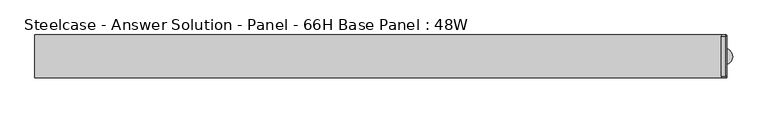
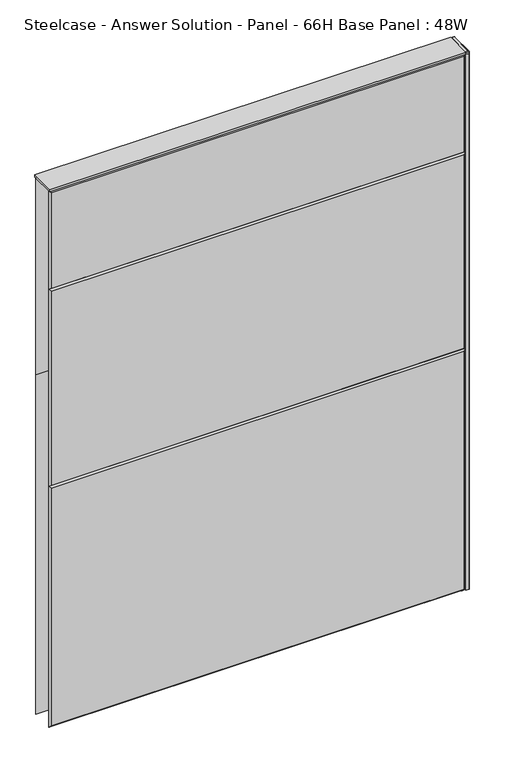
"""IFC4 building model written with IfcOpenShell, lengths in millimetres: furniture geometry, Steelcase - Answer Solution - Panel - 66H Base Panel : 48W."""

from ifc_helpers import new_model, si_unit, point, frame, frame_2d, origin, place, context, project, spatial, polyline, circle_curve, trimmed, segment, composite_curve, outline, extrude, faceted_brep, source, transform, mapped, element, save
from ifc_brep_helpers import plane_surface, spline_surface, advanced_brep


def steelcase_answer_solution_panel_66h_base_panel_48w_da607cd5(model_context):
    return source(origin(), model_context, "Body", "SolidModel", [
        extrude(outline(composite_curve([segment(trimmed(circle_curve(frame_2d((614.68, 0.0320214)), 5.08), [point((619.76, 0.0320214))], [point((609.6, 0.0320214))], False, "CARTESIAN"), True, "CONTINUOUS"), segment(trimmed(circle_curve(frame_2d((614.68, 0.0320214)), 5.08), [point((609.6, 0.0320214))], [point((619.76, 0.0320214))], False, "CARTESIAN"), True, "CONTINUOUS")], self_intersect=False)), frame((0.0, 0.0, 5.0799671), z_axis=(0.0, 0.0, 1.0), x_axis=(1.0, 0.0, 0.0)), (0.0, 0.0, 1.0), 10.414),
        extrude(outline(composite_curve([segment(trimmed(circle_curve(frame_2d((614.68, 0.0320214)), 15.24), [point((629.92, 0.0320214))], [point((599.44, 0.0320214))], False, "CARTESIAN"), True, "CONTINUOUS"), segment(trimmed(circle_curve(frame_2d((614.68, 0.0320214)), 15.24), [point((599.44, 0.0320214))], [point((629.92, 0.0320214))], False, "CARTESIAN"), True, "CONTINUOUS")], self_intersect=False)), frame((0.0, 0.0, -3.29e-05), z_axis=(0.0, 0.0, 1.0), x_axis=(1.0, 0.0, 0.0)), (0.0, 0.0, 1.0), 5.08),
        advanced_brep(
        [(616.9406, -35.2485592, 1682.7499671), (616.9406, 35.3126408, 1682.7499671), (609.6, 35.3126408, 1682.7499671), (609.6, -35.2485592, 1682.7499671), (617.8151197, -38.0679592, 1680.8704), (619.76, -36.1230789, 1680.8704), (619.76, 36.2403105, 1680.8704), (617.8682696, 38.1320408, 1680.8704), (609.6, 38.1320408, 1680.8704), (609.6, -38.0679592, 1680.8704)],
        [
            (0, 1),
            (1, 2),
            (2, 3),
            (3, 0),
            (4, 5, circle_curve(frame((617.8151197, -36.1230789, 1680.8704), z_axis=(0.0, 0.0, 1.0), x_axis=(0.0, 1.0, 0.0)), 1.9448803)),
            (5, 0),
            (0, 4),
            (5, 6),
            (6, 1),
            (6, 7, circle_curve(frame((617.8682696, 36.2403105, 1680.8704), z_axis=(0.0, 0.0, 1.0), x_axis=(0.0, 1.0, 0.0)), 1.8917304)),
            (7, 1),
            (7, 8),
            (8, 2),
            (8, 9),
            (9, 3),
            (9, 4),
        ],
        [
            plane_surface(frame((613.2703, 0.0320408, 1682.7499671), z_axis=(0.0, 0.0, 1.0), x_axis=(0.0, 1.0, 0.0))),
            spline_surface(2, 1, [[(617.8151197, -38.0679592, 1680.8704), (616.9406, -35.2485592, 1682.7499671)], [(619.76, -38.06795919999997, 1680.8704), (616.9406, -35.2485592, 1682.7499671)], [(619.76, -36.1230789, 1680.8704), (616.9406, -35.2485592, 1682.7499671)]], [3, 3], [2, 2], [0.0, 1.0], [0.0, 1.0], weights=[[1.0, 1.0], [0.7071067811865527, 0.7071067811865527], [1.0, 1.0]]),
            plane_surface(frame((619.76, 0.0586158, 1680.8704), z_axis=(0.554693465401931, 0.0, 0.832054781514052), x_axis=(0.0, 1.0, 0.0))),
            spline_surface(2, 1, [[(619.76, 36.2403105, 1680.8704), (616.9406, 35.3126408, 1682.7499671)], [(619.7600001000001, 38.13204090000003, 1680.8704), (616.9406, 35.3126408, 1682.7499671)], [(617.8682696, 38.1320408, 1680.8704), (616.9406, 35.3126408, 1682.7499671)]], [3, 3], [2, 2], [0.0, 1.0], [0.0, 1.0], weights=[[1.0, 1.0], [0.7071067624971249, 0.7071067624971249], [1.0, 1.0]]),
            plane_surface(frame((613.7341348, 38.1320408, 1680.8704), z_axis=(0.0, 0.5546934654026133, 0.8320547815135972), x_axis=(-1.0, 0.0, 0.0))),
            plane_surface(frame((609.6, 0.0320408, 1680.8704), z_axis=(-1.0, 0.0, 0.0), x_axis=(0.0, -1.0, 0.0))),
            plane_surface(frame((613.7075599, -38.0679592, 1680.8704), z_axis=(0.0, -0.5546934654017167, 0.8320547815141949), x_axis=(1.0, 0.0, 0.0))),
            plane_surface(frame((615.7338982, 0.0408991, 1680.8704), z_axis=(0.0, 0.0, -1.0), x_axis=(0.0, 1.0, 0.0))),
        ],
        [
            (0, [[1, 2, 3, 4]]),
            (1, [[5, 6, 7]]),
            (2, [[8, 9, -1, -6]]),
            (3, [[10, 11, -9]]),
            (4, [[12, 13, -2, -11]]),
            (5, [[14, 15, -3, -13]]),
            (6, [[16, -7, -4, -15]]),
            (7, [[-16, -14, -12, -10, -8, -5]]),
        ],
    ),
        extrude(outline(composite_curve([segment(polyline([(619.76, 36.2403105), (619.76, -36.1230789)]), True, "CONTINUOUS"), segment(trimmed(circle_curve(frame_2d((617.8151197, -36.1230789)), 1.9448803), [point((619.76, -36.1230789))], [point((617.8151197, -38.0679592))], False, "CARTESIAN"), True, "CONTINUOUS"), segment(polyline([(617.8151197, -38.0679592), (609.6, -38.0679592), (609.6, 38.1320408), (617.8682696, 38.1320408)]), True, "CONTINUOUS"), segment(trimmed(circle_curve(frame_2d((617.8682696, 36.2403105)), 1.8917304), [point((617.8682696, 38.1320408))], [point((619.76, 36.2403105))], False, "CARTESIAN"), True, "CONTINUOUS")], self_intersect=False)), frame((0.0, 0.0, 1675.4348), z_axis=(0.0, 0.0, 1.0), x_axis=(1.0, 0.0, 0.0)), (0.0, 0.0, 1.0), 5.4356),
        extrude(outline(composite_curve([segment(polyline([(619.76, 36.2599466), (619.76, -36.1273143)]), True, "CONTINUOUS"), segment(trimmed(circle_curve(frame_2d((617.8193552, -36.1273143)), 1.9406448), [point((619.76, -36.1273143))], [point((617.8193552, -38.0679592))], False, "CARTESIAN"), True, "CONTINUOUS"), segment(polyline([(617.8193552, -38.0679592), (609.6, -38.0679592), (609.6, 38.1320408), (617.8879058, 38.1320408)]), True, "CONTINUOUS"), segment(trimmed(circle_curve(frame_2d((617.8879058, 36.2599466)), 1.8720942), [point((617.8879058, 38.1320408))], [point((619.76, 36.2599466))], False, "CARTESIAN"), True, "CONTINUOUS")], self_intersect=False)), frame((0.0, 0.0, 15.4939671), z_axis=(0.0, 0.0, 1.0), x_axis=(1.0, 0.0, 0.0)), (0.0, 0.0, 1.0), 1659.9408329),
        faceted_brep([(-604.774, 38.1635011, 1671.574), (604.774, 38.1635011, 1671.574), (604.774, 38.1635011, 1071.626), (-604.774, 38.1635011, 1071.626), (-609.6, 33.3375011, 1676.4), (-609.6, 33.3375011, 1066.8), (609.6, 33.3375011, 1066.8), (609.6, 33.3375011, 1676.4)], [[[0, 1, 2, 3]], [[4, 5, 6, 7]], [[4, 7, 1, 0]], [[7, 6, 2, 1]], [[6, 5, 3, 2]], [[5, 4, 0, 3]]]),
        faceted_brep([(-604.774, 38.1635011, 1061.974), (604.774, 38.1635011, 1061.974), (604.774, 38.1635011, 20.32), (-604.774, 38.1635011, 20.32), (-609.6, 33.3375011, 1066.8), (-609.6, 33.3375011, 15.494), (609.6, 33.3375011, 15.494), (609.6, 33.3375011, 1066.8)], [[[0, 1, 2, 3]], [[4, 5, 6, 7]], [[4, 7, 1, 0]], [[7, 6, 2, 1]], [[6, 5, 3, 2]], [[5, 4, 0, 3]]]),
        faceted_brep([(604.774, -38.1635011, 1671.574), (-604.774, -38.1635011, 1671.574), (-604.774, -38.1635011, 1376.426), (604.774, -38.1635011, 1376.426), (609.6, -33.3375011, 1676.4), (609.6, -33.3375011, 1371.6), (-609.6, -33.3375011, 1371.6), (-609.6, -33.3375011, 1676.4)], [[[0, 1, 2, 3]], [[4, 5, 6, 7]], [[4, 7, 1, 0]], [[7, 6, 2, 1]], [[6, 5, 3, 2]], [[5, 4, 0, 3]]]),
        faceted_brep([(604.774, -38.1635011, 1366.774), (-604.774, -38.1635011, 1366.774), (-604.774, -38.1635011, 766.826), (604.774, -38.1635011, 766.826), (609.6, -33.3375011, 1371.6), (609.6, -33.3375011, 762.0), (-609.6, -33.3375011, 762.0), (-609.6, -33.3375011, 1371.6)], [[[0, 1, 2, 3]], [[4, 5, 6, 7]], [[4, 7, 1, 0]], [[7, 6, 2, 1]], [[6, 5, 3, 2]], [[5, 4, 0, 3]]]),
        faceted_brep([(604.774, -38.1635011, 757.174), (-604.774, -38.1635011, 757.174), (-604.774, -38.1635011, 20.32), (604.774, -38.1635011, 20.32), (609.6, -33.3375011, 762.0), (609.6, -33.3375011, 15.494), (-609.6, -33.3375011, 15.494), (-609.6, -33.3375011, 762.0)], [[[0, 1, 2, 3]], [[4, 5, 6, 7]], [[4, 7, 1, 0]], [[7, 6, 2, 1]], [[6, 5, 3, 2]], [[5, 4, 0, 3]]]),
        extrude(outline(polyline([(609.6, 38.1000194), (609.6, -38.1000194), (-609.6, -38.1000194), (-609.6, 38.1000194), (609.6, 38.1000194)])), frame((0.0, 0.0, 1676.4), z_axis=(0.0, 0.0, 1.0), x_axis=(1.0, 0.0, 0.0)), (0.0, 0.0, 1.0), 6.35),
    ])


if __name__ == "__main__":
    model = new_model("IFC4")
    model_context = context("Model", 3, world=origin())
    ifc_project = project(units=[si_unit("LENGTHUNIT", "METRE", prefix="MILLI")], contexts=[model_context])
    site = spatial("IfcSite", under=ifc_project)
    building = spatial("IfcBuilding", under=site)
    placement = place(None, origin())
    steelcase_answer_solution_panel_66h_base_panel_48w_shape = steelcase_answer_solution_panel_66h_base_panel_48w_da607cd5(model_context)
    element("IfcFurniture", 1, ObjectType="Steelcase - Answer Solution - Panel - 66H Base Panel : 48W", at=placement, inside=building, context=model_context, shape_type="MappedRepresentation", body=[
        mapped(steelcase_answer_solution_panel_66h_base_panel_48w_shape, transform((0.0, 0.0, 0.0), x_axis=(1.0, 0.0, 0.0), y_axis=(0.0, 1.0, 0.0), z_axis=(0.0, 0.0, 1.0))),
    ])
    save(model, "model.ifc")
